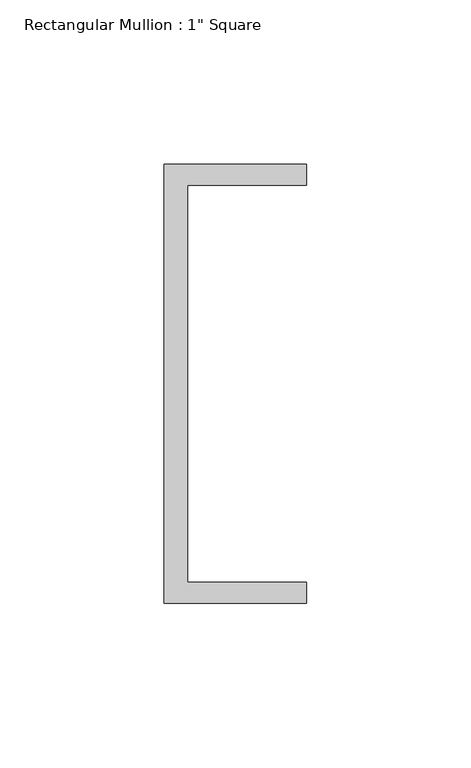
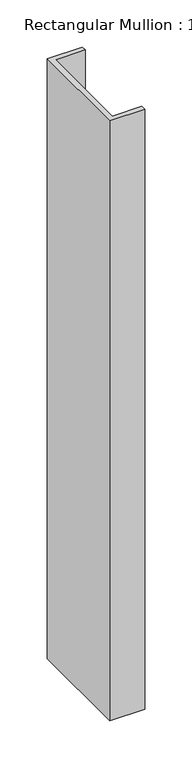
"""IFC4 building model written with IfcOpenShell, lengths in millimetres: member geometry."""

from ifc_helpers import new_model, si_unit, frame, origin, place, context, project, spatial, polyline, outline, extrude, source, transform, mapped, element, save


def member_4c7c928c(model_context):
    return source(origin(), model_context, "Body", "SweptSolid", [
        extrude(outline(polyline([(-18.6549463, 135.2608739), (24.5675083, 135.2608739), (24.5675083, 128.9108739), (-11.6110886, 128.9108739), (-11.6110886, 8.2608739), (24.5675083, 8.2608739), (24.5675083, 1.9108739), (-18.6549463, 1.9108739), (-18.6549463, 135.2608739)])), frame((0.0, 0.0, -778.8207209), z_axis=(0.0, 0.0, 1.0), x_axis=(1.0, 0.0, 0.0)), (0.0, 0.0, 1.0), 778.8207209),
    ])


if __name__ == "__main__":
    model = new_model("IFC4")
    model_context = context("Model", 3, world=origin())
    ifc_project = project(units=[si_unit("LENGTHUNIT", "METRE", prefix="MILLI")], contexts=[model_context])
    site = spatial("IfcSite", under=ifc_project)
    building = spatial("IfcBuilding", under=site)
    placement = place(None, origin())
    member_shape = member_4c7c928c(model_context)
    element("IfcMember", 1, ObjectType="Rectangular Mullion : 1\" Square", at=placement, inside=building, context=model_context, shape_type="MappedRepresentation", body=[
        mapped(member_shape, transform((0.0, 0.0, 0.0), x_axis=(1.0, 0.0, 0.0), y_axis=(0.0, 1.0, 0.0), z_axis=(0.0, 0.0, 1.0))),
    ])
    save(model, "model.ifc")
